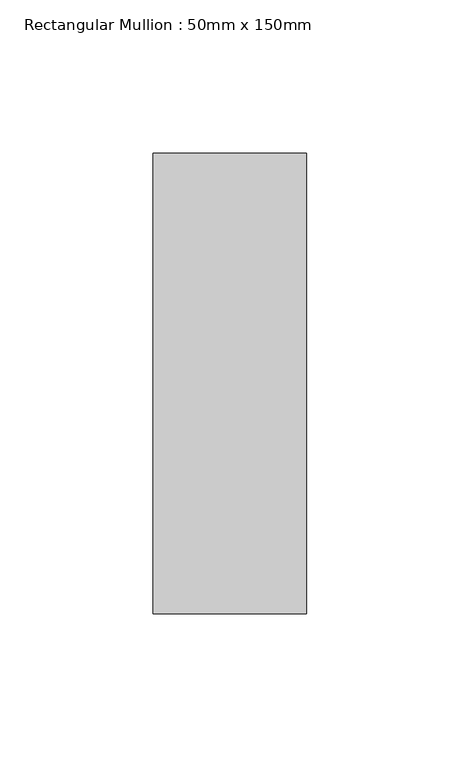
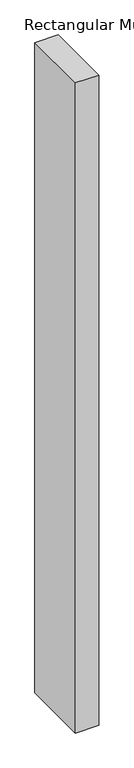
"""IFC4 building model written with IfcOpenShell, lengths in millimetres: member geometry, Rectangular Mullion : 50mm x 150mm."""

from ifc_helpers import new_model, si_unit, frame, origin, place, context, project, spatial, polyline, outline, extrude, source, transform, mapped, element, save


def rectangular_mullion_50mm_x_150mm_2721a084(model_context):
    return source(origin(), model_context, "Body", "SweptSolid", [
        extrude(outline(polyline([(25.0, 75.0), (25.0, -75.0), (-25.0, -75.0), (-25.0, 75.0), (25.0, 75.0)])), frame((0.0, 0.0, -1469.9999999), z_axis=(0.0, 0.0, 1.0), x_axis=(1.0, 0.0, 0.0)), (0.0, 0.0, 1.0), 1469.9999999),
    ])


if __name__ == "__main__":
    model = new_model("IFC4")
    model_context = context("Model", 3, world=origin())
    ifc_project = project(units=[si_unit("LENGTHUNIT", "METRE", prefix="MILLI")], contexts=[model_context])
    site = spatial("IfcSite", under=ifc_project)
    building = spatial("IfcBuilding", under=site)
    placement = place(None, origin())
    rectangular_mullion_50mm_x_150mm_shape = rectangular_mullion_50mm_x_150mm_2721a084(model_context)
    element("IfcMember", 1, ObjectType="Rectangular Mullion : 50mm x 150mm", at=placement, inside=building, context=model_context, shape_type="MappedRepresentation", body=[
        mapped(rectangular_mullion_50mm_x_150mm_shape, transform((0.0, 0.0, 0.0), x_axis=(1.0, 0.0, 0.0), y_axis=(0.0, 1.0, 0.0), z_axis=(0.0, 0.0, 1.0))),
    ])
    save(model, "model.ifc")
